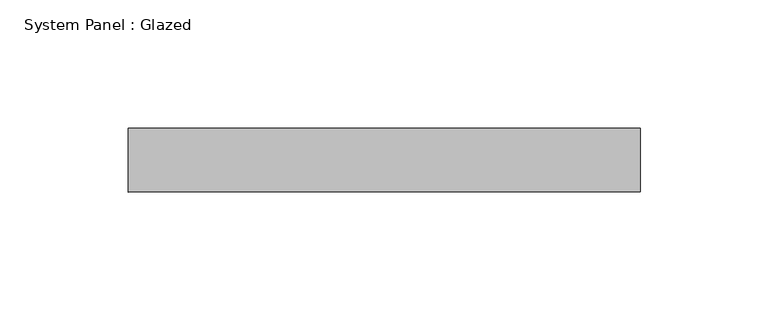
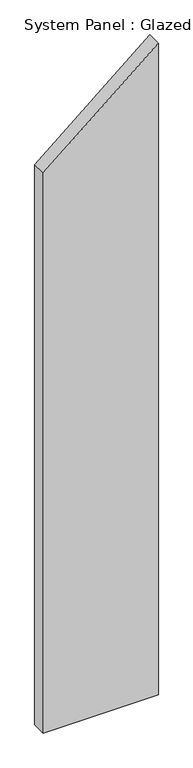
"""IFC4 building model written with IfcOpenShell, lengths in millimetres: plate geometry, System Panel : Glazed."""

from ifc_helpers import new_model, si_unit, frame, origin, place, context, project, spatial, polyline, outline, extrude, source, transform, mapped, element, save


def system_panel_glazed_cfee6bb6(model_context):
    return source(origin(), model_context, "Body", "SweptSolid", [
        extrude(outline(polyline([(0.0, -100.0), (0.0, 100.0), (1195.4981561, 100.0), (1027.6782299, -100.0), (0.0, -100.0)])), frame((0.0, 24.5, 0.0), z_axis=(0.0, 1.0, 0.0), x_axis=(0.0, 0.0, 1.0)), (0.0, 0.0, 1.0), 25.0),
    ])


if __name__ == "__main__":
    model = new_model("IFC4")
    model_context = context("Model", 3, world=origin())
    ifc_project = project(units=[si_unit("LENGTHUNIT", "METRE", prefix="MILLI")], contexts=[model_context])
    site = spatial("IfcSite", under=ifc_project)
    building = spatial("IfcBuilding", under=site)
    placement = place(None, origin())
    system_panel_glazed_shape = system_panel_glazed_cfee6bb6(model_context)
    element("IfcPlate", 1, ObjectType="System Panel : Glazed", at=placement, inside=building, context=model_context, shape_type="MappedRepresentation", body=[
        mapped(system_panel_glazed_shape, transform((0.0, 0.0, 0.0), x_axis=(1.0, 0.0, 0.0), y_axis=(0.0, 1.0, 0.0), z_axis=(0.0, 0.0, 1.0))),
    ])
    save(model, "model.ifc")
